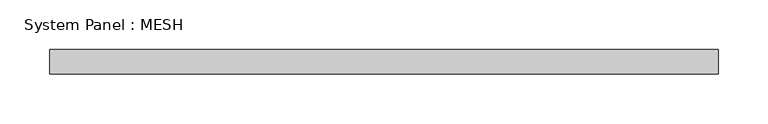
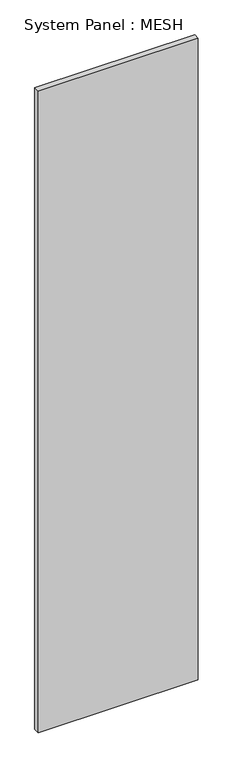
"""IFC4 building model written with IfcOpenShell, lengths in millimetres: plate geometry, System Panel : MESH."""

from ifc_helpers import new_model, si_unit, origin, origin_with_axes, place, context, project, spatial, polyline, outline, extrude, source, transform, mapped, element, save


def system_panel_mesh_46e25259(model_context):
    return source(origin(), model_context, "Body", "SweptSolid", [
        extrude(outline(polyline([(337.5031704, -12.5), (-337.5031704, -12.5), (-337.5031704, 12.5), (337.5031704, 12.5), (337.5031704, -12.5)])), origin_with_axes(), (0.0, 0.0, 1.0), 2860.0),
    ])


if __name__ == "__main__":
    model = new_model("IFC4")
    model_context = context("Model", 3, world=origin())
    ifc_project = project(units=[si_unit("LENGTHUNIT", "METRE", prefix="MILLI")], contexts=[model_context])
    site = spatial("IfcSite", under=ifc_project)
    building = spatial("IfcBuilding", under=site)
    placement = place(None, origin())
    system_panel_mesh_shape = system_panel_mesh_46e25259(model_context)
    element("IfcPlate", 1, ObjectType="System Panel : MESH", at=placement, inside=building, context=model_context, shape_type="MappedRepresentation", body=[
        mapped(system_panel_mesh_shape, transform((0.0, 0.0, 0.0), x_axis=(1.0, 0.0, 0.0), y_axis=(0.0, 1.0, 0.0), z_axis=(0.0, 0.0, 1.0))),
    ])
    save(model, "model.ifc")
